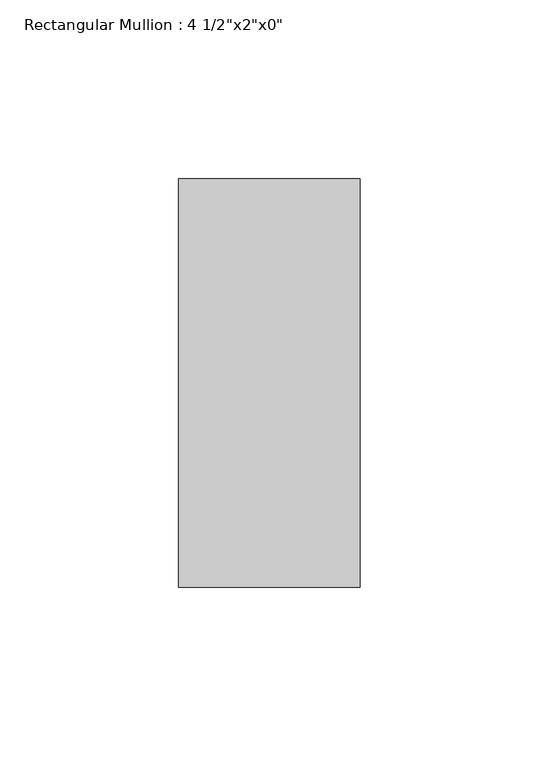
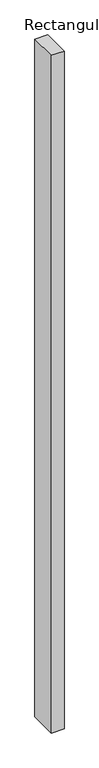
"""IFC4 building model written with IfcOpenShell, lengths in millimetres: member geometry."""

from ifc_helpers import new_model, si_unit, frame, origin, place, context, project, spatial, polyline, outline, extrude, source, transform, mapped, element, save


def member_ab44d5aa(model_context):
    return source(origin(), model_context, "Body", "SweptSolid", [
        extrude(outline(polyline([(0.0, 57.15), (0.0, -57.15), (-50.8, -57.15), (-50.8, 57.15), (0.0, 57.15)])), frame((0.0, 0.0, -2870.2), z_axis=(0.0, 0.0, 1.0), x_axis=(1.0, 0.0, 0.0)), (0.0, 0.0, 1.0), 2870.2),
    ])


if __name__ == "__main__":
    model = new_model("IFC4")
    model_context = context("Model", 3, world=origin())
    ifc_project = project(units=[si_unit("LENGTHUNIT", "METRE", prefix="MILLI")], contexts=[model_context])
    site = spatial("IfcSite", under=ifc_project)
    building = spatial("IfcBuilding", under=site)
    placement = place(None, origin())
    member_shape = member_ab44d5aa(model_context)
    element("IfcMember", 1, ObjectType="Rectangular Mullion : 4 1/2\"x2\"x0\"", at=placement, inside=building, context=model_context, shape_type="MappedRepresentation", body=[
        mapped(member_shape, transform((0.0, 0.0, 0.0), x_axis=(1.0, 0.0, 0.0), y_axis=(0.0, 1.0, 0.0), z_axis=(0.0, 0.0, 1.0))),
    ])
    save(model, "model.ifc")
